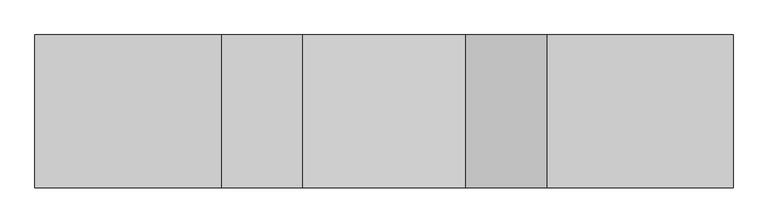
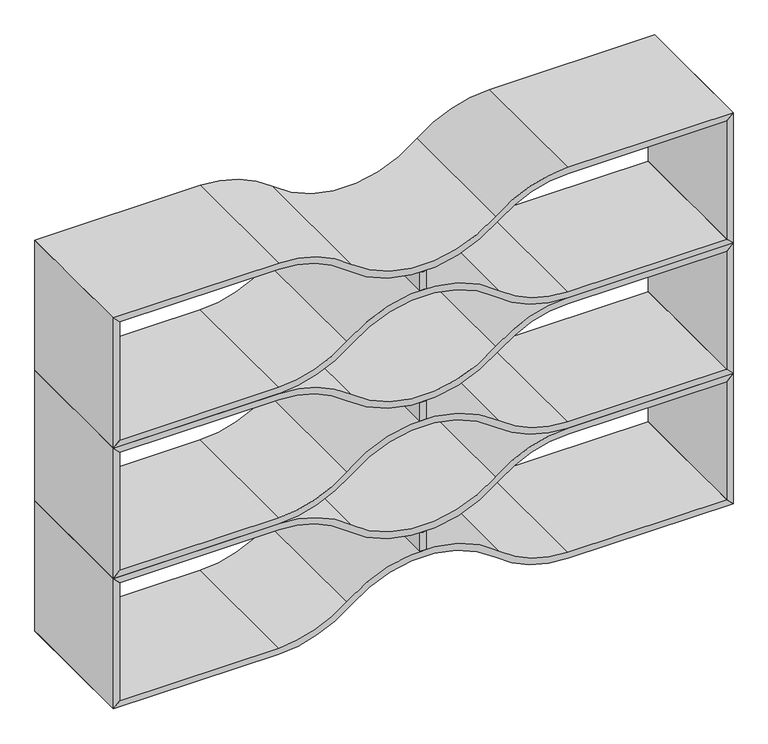
"""IFC4 building model written with IfcOpenShell, lengths in millimetres: furniture geometry."""

from ifc_helpers import new_model, si_unit, point, frame, frame_2d, origin, place, context, project, spatial, polyline, circle_curve, trimmed, segment, composite_curve, outline, extrude, source, transform, mapped, element, save


def furniture_4566d53a(model_context):
    return source(origin(), model_context, "Body", "SweptSolid", [
        extrude(outline(composite_curve([segment(polyline([(987.2955505, 923.925), (1044.704401, 923.925)]), True, "CONTINUOUS"), segment(trimmed(circle_curve(frame_2d((1107.1305252, 914.4)), 63.1486073), [point((1044.704401, 923.925))], [point((1044.704401, 904.875))], True, "CARTESIAN"), True, "CONTINUOUS"), segment(polyline([(1044.704401, 904.875), (987.2955505, 904.875)]), True, "CONTINUOUS"), segment(trimmed(circle_curve(frame_2d((924.8694264, 914.4)), 63.1486073), [point((987.2955505, 904.875))], [point((987.2955505, 923.925))], True, "CARTESIAN"), True, "CONTINUOUS")], self_intersect=False)), frame((0.0, -400.05, 0.0), z_axis=(0.0, 1.0, 0.0), x_axis=(0.0, 0.0, 1.0)), (0.0, 0.0, 1.0), 400.05),
        extrude(outline(composite_curve([segment(polyline([(812.7999516, 1828.7603222), (831.8499516, 1809.7103222), (831.8499516, 1341.1225206)]), True, "CONTINUOUS"), segment(trimmed(circle_curve(frame_2d((1144.3017253, 1341.1225206)), 312.4517737), [point((831.8499516, 1341.1225206))], [point((905.6602518, 1139.4387135))], True, "CARTESIAN"), True, "CONTINUOUS"), segment(trimmed(circle_curve(frame_2d((639.3855572, 914.4011569)), 348.6317755), [point((905.6602518, 1139.4387135))], [point((905.1739258, 688.7894152))], False, "CARTESIAN"), True, "CONTINUOUS"), segment(trimmed(circle_curve(frame_2d((1144.3017253, 487.6824625)), 312.4517737), [point((905.1739258, 688.7894152))], [point((831.8499516, 487.6824625))], True, "CARTESIAN"), True, "CONTINUOUS"), segment(polyline([(831.8499516, 487.6824625), (831.8499516, 19.05), (812.7999516, 0.0), (812.7999516, 487.6824625)]), True, "CONTINUOUS"), segment(trimmed(circle_curve(frame_2d((1144.1966598, 487.6824625)), 331.3967082), [point((812.7999516, 487.6824625))], [point((890.332053, 700.7001604))], False, "CARTESIAN"), True, "CONTINUOUS"), segment(trimmed(circle_curve(frame_2d((635.6515321, 914.4024915)), 332.4618084), [point((890.332053, 700.7001604))], [point((890.332053, 1128.1048227))], True, "CARTESIAN"), True, "CONTINUOUS"), segment(trimmed(circle_curve(frame_2d((1144.1966598, 1341.1225206)), 331.3967082), [point((890.332053, 1128.1048227))], [point((812.7999516, 1341.1225206))], False, "CARTESIAN"), True, "CONTINUOUS"), segment(polyline([(812.7999516, 1341.1225206), (812.7999516, 1828.7603222)]), True, "CONTINUOUS")], self_intersect=False)), frame((0.0, -400.05, 0.0), z_axis=(0.0, 1.0, 0.0), x_axis=(0.0, 0.0, 1.0)), (0.0, 0.0, 1.0), 400.05),
        extrude(outline(composite_curve([segment(polyline([(1219.2, 1828.7603222), (1219.2, 1341.1181604)]), True, "CONTINUOUS"), segment(trimmed(circle_curve(frame_2d((887.8032918, 1341.1181604)), 331.3967082), [point((1219.2, 1341.1181604))], [point((1141.6678986, 1128.1004625))], False, "CARTESIAN"), True, "CONTINUOUS"), segment(trimmed(circle_curve(frame_2d((1396.3484195, 914.3981314)), 332.4618084), [point((1141.6678986, 1128.1004625))], [point((1141.6678986, 700.6958002))], True, "CARTESIAN"), True, "CONTINUOUS"), segment(trimmed(circle_curve(frame_2d((887.8032918, 487.6781023)), 331.3967082), [point((1141.6678986, 700.6958002))], [point((1219.2, 487.6781023))], False, "CARTESIAN"), True, "CONTINUOUS"), segment(polyline([(1219.2, 487.6781023), (1219.2, 0.0), (1200.15, 19.05), (1200.15, 487.6781023)]), True, "CONTINUOUS"), segment(trimmed(circle_curve(frame_2d((887.6982263, 487.6781023)), 312.4517737), [point((1200.15, 487.6781023))], [point((1126.8260257, 688.785055))], True, "CARTESIAN"), True, "CONTINUOUS"), segment(trimmed(circle_curve(frame_2d((1392.6143943, 914.3967967)), 348.6317755), [point((1126.8260257, 688.785055))], [point((1126.3396998, 1139.4343534))], False, "CARTESIAN"), True, "CONTINUOUS"), segment(trimmed(circle_curve(frame_2d((887.6982263, 1341.1181604)), 312.4517737), [point((1126.3396998, 1139.4343534))], [point((1200.15, 1341.1181604))], True, "CARTESIAN"), True, "CONTINUOUS"), segment(polyline([(1200.15, 1341.1181604), (1200.15, 1809.7103222), (1219.2, 1828.7603222)]), True, "CONTINUOUS")], self_intersect=False)), frame((0.0, -400.05, 0.0), z_axis=(0.0, 1.0, 0.0), x_axis=(0.0, 0.0, 1.0)), (0.0, 0.0, 1.0), 400.05),
        extrude(outline(composite_curve([segment(polyline([(580.8955021, 923.925), (638.3043526, 923.925)]), True, "CONTINUOUS"), segment(trimmed(circle_curve(frame_2d((700.7304767, 914.4)), 63.1486073), [point((638.3043526, 923.925))], [point((638.3043526, 904.875))], True, "CARTESIAN"), True, "CONTINUOUS"), segment(polyline([(638.3043526, 904.875), (580.8955021, 904.875)]), True, "CONTINUOUS"), segment(trimmed(circle_curve(frame_2d((518.4693779, 914.4)), 63.1486073), [point((580.8955021, 904.875))], [point((580.8955021, 923.925))], True, "CARTESIAN"), True, "CONTINUOUS")], self_intersect=False)), frame((0.0, -400.05, 0.0), z_axis=(0.0, 1.0, 0.0), x_axis=(0.0, 0.0, 1.0)), (0.0, 0.0, 1.0), 400.05),
        extrude(outline(composite_curve([segment(polyline([(406.3999031, 1828.7603222), (425.4499031, 1809.7103222), (425.4499031, 1341.1225206)]), True, "CONTINUOUS"), segment(trimmed(circle_curve(frame_2d((737.9016768, 1341.1225206)), 312.4517737), [point((425.4499031, 1341.1225206))], [point((499.2602033, 1139.4387135))], True, "CARTESIAN"), True, "CONTINUOUS"), segment(trimmed(circle_curve(frame_2d((232.9855088, 914.4011569)), 348.6317755), [point((499.2602033, 1139.4387135))], [point((498.7738774, 688.7894152))], False, "CARTESIAN"), True, "CONTINUOUS"), segment(trimmed(circle_curve(frame_2d((737.9016768, 487.6824625)), 312.4517737), [point((498.7738774, 688.7894152))], [point((425.4499031, 487.6824625))], True, "CARTESIAN"), True, "CONTINUOUS"), segment(polyline([(425.4499031, 487.6824625), (425.4499031, 19.05), (406.3999031, 0.0), (406.3999031, 487.6824625)]), True, "CONTINUOUS"), segment(trimmed(circle_curve(frame_2d((737.7966113, 487.6824625)), 331.3967082), [point((406.3999031, 487.6824625))], [point((483.9320045, 700.7001604))], False, "CARTESIAN"), True, "CONTINUOUS"), segment(trimmed(circle_curve(frame_2d((229.2514836, 914.4024915)), 332.4618084), [point((483.9320045, 700.7001604))], [point((483.9320045, 1128.1048227))], True, "CARTESIAN"), True, "CONTINUOUS"), segment(trimmed(circle_curve(frame_2d((737.7966113, 1341.1225206)), 331.3967082), [point((483.9320045, 1128.1048227))], [point((406.3999031, 1341.1225206))], False, "CARTESIAN"), True, "CONTINUOUS"), segment(polyline([(406.3999031, 1341.1225206), (406.3999031, 1828.7603222)]), True, "CONTINUOUS")], self_intersect=False)), frame((0.0, -400.05, 0.0), z_axis=(0.0, 1.0, 0.0), x_axis=(0.0, 0.0, 1.0)), (0.0, 0.0, 1.0), 400.05),
        extrude(outline(composite_curve([segment(polyline([(812.7999516, 1828.7603222), (812.7999516, 1341.1181604)]), True, "CONTINUOUS"), segment(trimmed(circle_curve(frame_2d((481.4032433, 1341.1181604)), 331.3967082), [point((812.7999516, 1341.1181604))], [point((735.2678501, 1128.1004625))], False, "CARTESIAN"), True, "CONTINUOUS"), segment(trimmed(circle_curve(frame_2d((989.948371, 914.3981314)), 332.4618084), [point((735.2678501, 1128.1004625))], [point((735.2678501, 700.6958002))], True, "CARTESIAN"), True, "CONTINUOUS"), segment(trimmed(circle_curve(frame_2d((481.4032433, 487.6781023)), 331.3967082), [point((735.2678501, 700.6958002))], [point((812.7999516, 487.6781023))], False, "CARTESIAN"), True, "CONTINUOUS"), segment(polyline([(812.7999516, 487.6781023), (812.7999516, 0.0), (793.7499516, 19.05), (793.7499516, 487.6781023)]), True, "CONTINUOUS"), segment(trimmed(circle_curve(frame_2d((481.2981778, 487.6781023)), 312.4517737), [point((793.7499516, 487.6781023))], [point((720.4259773, 688.785055))], True, "CARTESIAN"), True, "CONTINUOUS"), segment(trimmed(circle_curve(frame_2d((986.2143459, 914.3967967)), 348.6317755), [point((720.4259773, 688.785055))], [point((719.9396513, 1139.4343534))], False, "CARTESIAN"), True, "CONTINUOUS"), segment(trimmed(circle_curve(frame_2d((481.2981778, 1341.1181604)), 312.4517737), [point((719.9396513, 1139.4343534))], [point((793.7499516, 1341.1181604))], True, "CARTESIAN"), True, "CONTINUOUS"), segment(polyline([(793.7499516, 1341.1181604), (793.7499516, 1809.7103222), (812.7999516, 1828.7603222)]), True, "CONTINUOUS")], self_intersect=False)), frame((0.0, -400.05, 0.0), z_axis=(0.0, 1.0, 0.0), x_axis=(0.0, 0.0, 1.0)), (0.0, 0.0, 1.0), 400.05),
        extrude(outline(composite_curve([segment(polyline([(174.4954536, 923.925), (231.9043041, 923.925)]), True, "CONTINUOUS"), segment(trimmed(circle_curve(frame_2d((294.3304283, 914.4)), 63.1486073), [point((231.9043041, 923.925))], [point((231.9043041, 904.875))], True, "CARTESIAN"), True, "CONTINUOUS"), segment(polyline([(231.9043041, 904.875), (174.4954536, 904.875)]), True, "CONTINUOUS"), segment(trimmed(circle_curve(frame_2d((112.0693295, 914.4)), 63.1486073), [point((174.4954536, 904.875))], [point((174.4954536, 923.925))], True, "CARTESIAN"), True, "CONTINUOUS")], self_intersect=False)), frame((0.0, -400.05, 0.0), z_axis=(0.0, 1.0, 0.0), x_axis=(0.0, 0.0, 1.0)), (0.0, 0.0, 1.0), 400.05),
        extrude(outline(composite_curve([segment(polyline([(-0.0001453, 1828.7603222), (19.0498547, 1809.7103222), (19.0498547, 1341.1225206)]), True, "CONTINUOUS"), segment(trimmed(circle_curve(frame_2d((331.5016284, 1341.1225206)), 312.4517737), [point((19.0498547, 1341.1225206))], [point((92.8601549, 1139.4387135))], True, "CARTESIAN"), True, "CONTINUOUS"), segment(trimmed(circle_curve(frame_2d((-173.4145397, 914.4011569)), 348.6317755), [point((92.8601549, 1139.4387135))], [point((92.3738289, 688.7894152))], False, "CARTESIAN"), True, "CONTINUOUS"), segment(trimmed(circle_curve(frame_2d((331.5016284, 487.6824625)), 312.4517737), [point((92.3738289, 688.7894152))], [point((19.0498547, 487.6824625))], True, "CARTESIAN"), True, "CONTINUOUS"), segment(polyline([(19.0498547, 487.6824625), (19.0498547, 19.05), (-0.0001453, 0.0), (-0.0001453, 487.6824625)]), True, "CONTINUOUS"), segment(trimmed(circle_curve(frame_2d((331.3965629, 487.6824625)), 331.3967082), [point((-0.0001453, 487.6824625))], [point((77.5319561, 700.7001604))], False, "CARTESIAN"), True, "CONTINUOUS"), segment(trimmed(circle_curve(frame_2d((-177.1485648, 914.4024915)), 332.4618084), [point((77.5319561, 700.7001604))], [point((77.5319561, 1128.1048227))], True, "CARTESIAN"), True, "CONTINUOUS"), segment(trimmed(circle_curve(frame_2d((331.3965629, 1341.1225206)), 331.3967082), [point((77.5319561, 1128.1048227))], [point((-0.0001453, 1341.1225206))], False, "CARTESIAN"), True, "CONTINUOUS"), segment(polyline([(-0.0001453, 1341.1225206), (-0.0001453, 1828.7603222)]), True, "CONTINUOUS")], self_intersect=False)), frame((0.0, -400.05, 0.0), z_axis=(0.0, 1.0, 0.0), x_axis=(0.0, 0.0, 1.0)), (0.0, 0.0, 1.0), 400.05),
        extrude(outline(composite_curve([segment(polyline([(406.3999031, 1828.7603222), (406.3999031, 1341.1181604)]), True, "CONTINUOUS"), segment(trimmed(circle_curve(frame_2d((75.0031949, 1341.1181604)), 331.3967082), [point((406.3999031, 1341.1181604))], [point((328.8678017, 1128.1004625))], False, "CARTESIAN"), True, "CONTINUOUS"), segment(trimmed(circle_curve(frame_2d((583.5483226, 914.3981314)), 332.4618084), [point((328.8678017, 1128.1004625))], [point((328.8678017, 700.6958002))], True, "CARTESIAN"), True, "CONTINUOUS"), segment(trimmed(circle_curve(frame_2d((75.0031949, 487.6781023)), 331.3967082), [point((328.8678017, 700.6958002))], [point((406.3999031, 487.6781023))], False, "CARTESIAN"), True, "CONTINUOUS"), segment(polyline([(406.3999031, 487.6781023), (406.3999031, 0.0), (387.3499031, 19.05), (387.3499031, 487.6781023)]), True, "CONTINUOUS"), segment(trimmed(circle_curve(frame_2d((74.8981294, 487.6781023)), 312.4517737), [point((387.3499031, 487.6781023))], [point((314.0259289, 688.785055))], True, "CARTESIAN"), True, "CONTINUOUS"), segment(trimmed(circle_curve(frame_2d((579.8142974, 914.3967967)), 348.6317755), [point((314.0259289, 688.785055))], [point((313.5396029, 1139.4343534))], False, "CARTESIAN"), True, "CONTINUOUS"), segment(trimmed(circle_curve(frame_2d((74.8981294, 1341.1181604)), 312.4517737), [point((313.5396029, 1139.4343534))], [point((387.3499031, 1341.1181604))], True, "CARTESIAN"), True, "CONTINUOUS"), segment(polyline([(387.3499031, 1341.1181604), (387.3499031, 1809.7103222), (406.3999031, 1828.7603222)]), True, "CONTINUOUS")], self_intersect=False)), frame((0.0, -400.05, 0.0), z_axis=(0.0, 1.0, 0.0), x_axis=(0.0, 0.0, 1.0)), (0.0, 0.0, 1.0), 400.05),
        extrude(outline(polyline([(387.3499031, 1809.75), (19.0498547, 1809.75), (-0.0001453, 1828.8), (406.3999031, 1828.8), (387.3499031, 1809.75)])), frame((0.0, -400.05, 0.0), z_axis=(0.0, 1.0, 0.0), x_axis=(0.0, 0.0, 1.0)), (0.0, 0.0, 1.0), 400.05),
        extrude(outline(polyline([(387.3499031, 19.05), (406.3999031, 0.0), (-0.0001453, 0.0), (19.0498547, 19.05), (387.3499031, 19.05)])), frame((0.0, -400.05, 0.0), z_axis=(0.0, 1.0, 0.0), x_axis=(0.0, 0.0, 1.0)), (0.0, 0.0, 1.0), 400.05),
        extrude(outline(polyline([(793.7499516, 1809.75), (425.4499031, 1809.75), (406.3999031, 1828.8), (812.7999516, 1828.8), (793.7499516, 1809.75)])), frame((0.0, -400.05, 0.0), z_axis=(0.0, 1.0, 0.0), x_axis=(0.0, 0.0, 1.0)), (0.0, 0.0, 1.0), 400.05),
        extrude(outline(polyline([(793.7499516, 19.05), (812.7999516, 0.0), (406.3999031, 0.0), (425.4499031, 19.05), (793.7499516, 19.05)])), frame((0.0, -400.05, 0.0), z_axis=(0.0, 1.0, 0.0), x_axis=(0.0, 0.0, 1.0)), (0.0, 0.0, 1.0), 400.05),
        extrude(outline(polyline([(1200.15, 1809.75), (831.8499516, 1809.75), (812.7999516, 1828.8), (1219.2, 1828.8), (1200.15, 1809.75)])), frame((0.0, -400.05, 0.0), z_axis=(0.0, 1.0, 0.0), x_axis=(0.0, 0.0, 1.0)), (0.0, 0.0, 1.0), 400.05),
        extrude(outline(polyline([(1200.15, 19.05), (1219.2, 0.0), (812.7999516, 0.0), (831.8499516, 19.05), (1200.15, 19.05)])), frame((0.0, -400.05, 0.0), z_axis=(0.0, 1.0, 0.0), x_axis=(0.0, 0.0, 1.0)), (0.0, 0.0, 1.0), 400.05),
    ])


if __name__ == "__main__":
    model = new_model("IFC4")
    model_context = context("Model", 3, world=origin())
    ifc_project = project(units=[si_unit("LENGTHUNIT", "METRE", prefix="MILLI")], contexts=[model_context])
    site = spatial("IfcSite", under=ifc_project)
    building = spatial("IfcBuilding", under=site)
    placement = place(None, origin())
    furniture_shape = furniture_4566d53a(model_context)
    element("IfcFurniture", 1, at=placement, inside=building, context=model_context, shape_type="MappedRepresentation", body=[
        mapped(furniture_shape, transform((0.0, 0.0, 0.0), x_axis=(1.0, 0.0, 0.0), y_axis=(0.0, 1.0, 0.0), z_axis=(0.0, 0.0, 1.0))),
    ])
    save(model, "model.ifc")
